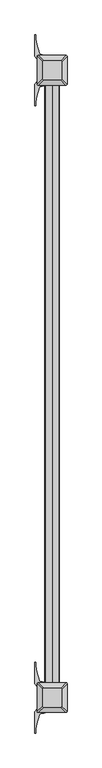
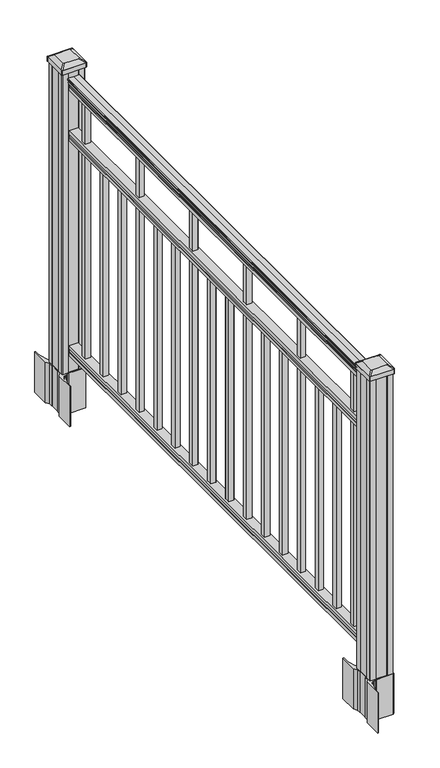
"""IFC4 building model written with IfcOpenShell, lengths in millimetres: railing geometry."""

from ifc_helpers import new_model, si_unit, point, frame, frame_2d, origin, origin_with_axes, place, context, project, spatial, polyline, circle_curve, trimmed, segment, composite_curve, outline, extrude, source, transform, mapped, element, save
from ifc_brep_helpers import plane_surface, extruded_surface, advanced_brep


def railing_8c281856(model_context):
    return source(origin(), model_context, "Body", "SolidModel", [
        extrude(outline(composite_curve([segment(polyline([(1090.8043297, 2185.0080205), (1092.692412, 2185.0080205)]), True, "CONTINUOUS"), segment(trimmed(circle_curve(frame_2d((1098.4506383, 2178.6932672)), 8.545951), [point((1092.692412, 2185.0080205))], [point((1094.2546695, 2186.1382068))], False, "CARTESIAN"), True, "CONTINUOUS"), segment(trimmed(circle_curve(frame_2d((1097.8636577, 2179.1303302)), 7.882584), [point((1094.2546695, 2186.1382068))], [point((1101.4726458, 2186.1382068))], False, "CARTESIAN"), True, "CONTINUOUS"), segment(trimmed(circle_curve(frame_2d((1103.7112527, 2189.6436543)), 4.1592695), [point((1101.4726458, 2186.1382068))], [point((1103.9060812, 2185.4889504))], True, "CARTESIAN"), True, "CONTINUOUS"), segment(trimmed(circle_curve(frame_2d((1103.6508864, 2190.9309609)), 5.4479907), [point((1103.9060812, 2185.4889504))], [point((1108.2362083, 2187.9889504))], True, "CARTESIAN"), True, "CONTINUOUS"), segment(trimmed(circle_curve(frame_2d((1108.233395, 2189.6978025)), 1.7088543), [point((1108.2362083, 2187.9889504))], [point((1109.9157972, 2189.3982929))], True, "CARTESIAN"), True, "CONTINUOUS"), segment(trimmed(circle_curve(frame_2d((1111.0205318, 2188.0809024)), 1.7192895), [point((1109.9157972, 2189.3982929))], [point((1111.0205318, 2189.8001919))], False, "CARTESIAN"), True, "CONTINUOUS"), segment(polyline([(1111.0205318, 2189.8001919), (1112.3608158, 2189.8001918)]), True, "CONTINUOUS"), segment(trimmed(circle_curve(frame_2d((1112.3608158, 2188.2467446)), 1.5534472), [point((1112.3608158, 2189.8001918))], [point((1113.914263, 2188.2467446))], False, "CARTESIAN"), True, "CONTINUOUS"), segment(polyline([(1113.914263, 2188.2467446), (1113.914263, 2167.5751918), (1113.914263, 2146.903639)]), True, "CONTINUOUS"), segment(trimmed(circle_curve(frame_2d((1112.3608158, 2146.903639)), 1.5534472), [point((1113.914263, 2146.903639))], [point((1112.3608158, 2145.3501918))], False, "CARTESIAN"), True, "CONTINUOUS"), segment(polyline([(1112.3608158, 2145.3501918), (1111.0205318, 2145.3501918)]), True, "CONTINUOUS"), segment(trimmed(circle_curve(frame_2d((1111.0205318, 2147.0694812)), 1.7192895), [point((1111.0205318, 2145.3501918))], [point((1109.9157972, 2145.7520907))], False, "CARTESIAN"), True, "CONTINUOUS"), segment(trimmed(circle_curve(frame_2d((1108.233395, 2145.4525811)), 1.7088543), [point((1109.9157972, 2145.7520907))], [point((1108.2362083, 2147.1614332))], True, "CARTESIAN"), True, "CONTINUOUS"), segment(trimmed(circle_curve(frame_2d((1103.6508864, 2144.2194227)), 5.4479907), [point((1108.2362083, 2147.1614332))], [point((1103.9060812, 2149.6614332))], True, "CARTESIAN"), True, "CONTINUOUS"), segment(trimmed(circle_curve(frame_2d((1103.7112527, 2145.5067292)), 4.1592695), [point((1103.9060812, 2149.6614332))], [point((1101.4726458, 2149.0121768))], True, "CARTESIAN"), True, "CONTINUOUS"), segment(trimmed(circle_curve(frame_2d((1097.8636577, 2156.0200534)), 7.882584), [point((1101.4726458, 2149.0121768))], [point((1094.2546695, 2149.0121768))], False, "CARTESIAN"), True, "CONTINUOUS"), segment(trimmed(circle_curve(frame_2d((1098.4506383, 2156.4571163)), 8.545951), [point((1094.2546695, 2149.0121768))], [point((1092.692412, 2150.1423631))], False, "CARTESIAN"), True, "CONTINUOUS"), segment(polyline([(1092.692412, 2150.1423631), (1090.8043297, 2150.1423631)]), True, "CONTINUOUS"), segment(trimmed(circle_curve(frame_2d((1090.8043297, 2151.4292774)), 1.2869144), [point((1090.8043297, 2150.1423631))], [point((1090.8043297, 2152.7161918))], False, "CARTESIAN"), True, "CONTINUOUS"), segment(polyline([(1090.8043297, 2152.7161918), (1080.3048283, 2152.7161918), (1079.2888283, 2151.7001918), (1066.8, 2151.7001918), (1066.8, 2183.4501918), (1079.131013, 2183.4501918), (1080.147013, 2182.4341918), (1090.8043297, 2182.4341918)]), True, "CONTINUOUS"), segment(trimmed(circle_curve(frame_2d((1090.8043297, 2183.7211062)), 1.2869144), [point((1090.8043297, 2182.4341918))], [point((1090.8043297, 2185.0080205))], False, "CARTESIAN"), True, "CONTINUOUS")], self_intersect=False)), frame((0.0, -114363.0908968, 0.0), z_axis=(0.0, 1.0, 0.0), x_axis=(0.0, 0.0, 1.0)), (0.0, 0.0, 1.0), 1828.8),
        extrude(outline(polyline([(888.8541976, 2183.4876787), (890.1546183, 2182.4716787), (900.5141717, 2182.4716787), (901.8624492, 2183.4876787), (914.3958781, 2183.4876787), (914.3958781, 2151.7376787), (901.8458024, 2151.7376787), (900.4975248, 2152.7536787), (890.1858283, 2152.7536787), (888.8375508, 2151.7376787), (876.3, 2151.7376787), (876.3, 2183.4876787), (888.8541976, 2183.4876787)])), frame((0.0, -114363.0908968, 0.0), z_axis=(0.0, 1.0, 0.0), x_axis=(0.0, 0.0, 1.0)), (0.0, 0.0, 1.0), 1828.8),
        extrude(outline(polyline([(76.0541976, 2183.4876787), (77.3546183, 2182.4716787), (87.7141717, 2182.4716787), (89.0624492, 2183.4876787), (101.5958781, 2183.4876787), (101.5958781, 2151.7376787), (89.0458024, 2151.7376787), (87.6975248, 2152.7536787), (77.3858283, 2152.7536787), (76.0375508, 2151.7376787), (63.5, 2151.7376787), (63.5, 2183.4876787), (76.0541976, 2183.4876787)])), frame((0.0, -114363.0908968, 0.0), z_axis=(0.0, 1.0, 0.0), x_axis=(0.0, 0.0, 1.0)), (0.0, 0.0, 1.0), 1828.8),
        extrude(outline(polyline([(2177.1001918, -112622.8098968), (2158.0501918, -112622.8098968), (2158.0501918, -112603.7598968), (2177.1001918, -112603.7598968), (2177.1001918, -112622.8098968)]), holes=[polyline([(2176.7033168, -112622.4130218), (2176.7033168, -112604.1567718), (2158.4470668, -112604.1567718), (2158.4470668, -112622.4130218), (2176.7033168, -112622.4130218)])]), frame((0.0, 0.0, 101.5958781), z_axis=(0.0, 0.0, 1.0), x_axis=(1.0, 0.0, 0.0)), (0.0, 0.0, 1.0), 965.2041219),
        extrude(outline(polyline([(2177.1001918, -112734.0618968), (2158.0501918, -112734.0618968), (2158.0501918, -112715.0118968), (2177.1001918, -112715.0118968), (2177.1001918, -112734.0618968)]), holes=[polyline([(2176.7033168, -112733.6650218), (2176.7033168, -112715.4087718), (2158.4470668, -112715.4087718), (2158.4470668, -112733.6650218), (2176.7033168, -112733.6650218)])]), frame((0.0, 0.0, 101.5958781), z_axis=(0.0, 0.0, 1.0), x_axis=(1.0, 0.0, 0.0)), (0.0, 0.0, 1.0), 774.7041219),
        extrude(outline(polyline([(2177.1001918, -112845.3138968), (2158.0501918, -112845.3138968), (2158.0501918, -112826.2638968), (2177.1001918, -112826.2638968), (2177.1001918, -112845.3138968)]), holes=[polyline([(2176.7033168, -112844.9170218), (2176.7033168, -112826.6607718), (2158.4470668, -112826.6607718), (2158.4470668, -112844.9170218), (2176.7033168, -112844.9170218)])]), frame((0.0, 0.0, 101.5958781), z_axis=(0.0, 0.0, 1.0), x_axis=(1.0, 0.0, 0.0)), (0.0, 0.0, 1.0), 774.7041219),
        extrude(outline(polyline([(2177.1001918, -112956.5658968), (2158.0501918, -112956.5658968), (2158.0501918, -112937.5158968), (2177.1001918, -112937.5158968), (2177.1001918, -112956.5658968)]), holes=[polyline([(2176.7033168, -112956.1690218), (2176.7033168, -112937.9127718), (2158.4470668, -112937.9127718), (2158.4470668, -112956.1690218), (2176.7033168, -112956.1690218)])]), frame((0.0, 0.0, 101.5958781), z_axis=(0.0, 0.0, 1.0), x_axis=(1.0, 0.0, 0.0)), (0.0, 0.0, 1.0), 965.2041219),
        extrude(outline(polyline([(2177.1001918, -113067.8178968), (2158.0501918, -113067.8178968), (2158.0501918, -113048.7678968), (2177.1001918, -113048.7678968), (2177.1001918, -113067.8178968)]), holes=[polyline([(2176.7033168, -113067.4210218), (2176.7033168, -113049.1647718), (2158.4470668, -113049.1647718), (2158.4470668, -113067.4210218), (2176.7033168, -113067.4210218)])]), frame((0.0, 0.0, 101.5958781), z_axis=(0.0, 0.0, 1.0), x_axis=(1.0, 0.0, 0.0)), (0.0, 0.0, 1.0), 774.7041219),
        extrude(outline(polyline([(2177.1001918, -113179.0698968), (2158.0501918, -113179.0698968), (2158.0501918, -113160.0198968), (2177.1001918, -113160.0198968), (2177.1001918, -113179.0698968)]), holes=[polyline([(2176.7033168, -113178.6730218), (2176.7033168, -113160.4167718), (2158.4470668, -113160.4167718), (2158.4470668, -113178.6730218), (2176.7033168, -113178.6730218)])]), frame((0.0, 0.0, 101.5958781), z_axis=(0.0, 0.0, 1.0), x_axis=(1.0, 0.0, 0.0)), (0.0, 0.0, 1.0), 774.7041219),
        extrude(outline(polyline([(2177.1001918, -113290.3218968), (2158.0501918, -113290.3218968), (2158.0501918, -113271.2718968), (2177.1001918, -113271.2718968), (2177.1001918, -113290.3218968)]), holes=[polyline([(2176.7033168, -113289.9250218), (2176.7033168, -113271.6687718), (2158.4470668, -113271.6687718), (2158.4470668, -113289.9250218), (2176.7033168, -113289.9250218)])]), frame((0.0, 0.0, 101.5958781), z_axis=(0.0, 0.0, 1.0), x_axis=(1.0, 0.0, 0.0)), (0.0, 0.0, 1.0), 965.2041219),
        extrude(outline(polyline([(2177.1001918, -113401.5738968), (2158.0501918, -113401.5738968), (2158.0501918, -113382.5238968), (2177.1001918, -113382.5238968), (2177.1001918, -113401.5738968)]), holes=[polyline([(2176.7033168, -113401.1770218), (2176.7033168, -113382.9207718), (2158.4470668, -113382.9207718), (2158.4470668, -113401.1770218), (2176.7033168, -113401.1770218)])]), frame((0.0, 0.0, 101.5958781), z_axis=(0.0, 0.0, 1.0), x_axis=(1.0, 0.0, 0.0)), (0.0, 0.0, 1.0), 774.7041219),
        extrude(outline(polyline([(2177.1001918, -113512.8258968), (2158.0501918, -113512.8258968), (2158.0501918, -113493.7758968), (2177.1001918, -113493.7758968), (2177.1001918, -113512.8258968)]), holes=[polyline([(2176.7033168, -113512.4290218), (2176.7033168, -113494.1727718), (2158.4470668, -113494.1727718), (2158.4470668, -113512.4290218), (2176.7033168, -113512.4290218)])]), frame((0.0, 0.0, 101.5958781), z_axis=(0.0, 0.0, 1.0), x_axis=(1.0, 0.0, 0.0)), (0.0, 0.0, 1.0), 774.7041219),
        extrude(outline(polyline([(2177.1001918, -113624.0778968), (2158.0501918, -113624.0778968), (2158.0501918, -113605.0278968), (2177.1001918, -113605.0278968), (2177.1001918, -113624.0778968)]), holes=[polyline([(2176.7033168, -113623.6810218), (2176.7033168, -113605.4247718), (2158.4470668, -113605.4247718), (2158.4470668, -113623.6810218), (2176.7033168, -113623.6810218)])]), frame((0.0, 0.0, 101.5958781), z_axis=(0.0, 0.0, 1.0), x_axis=(1.0, 0.0, 0.0)), (0.0, 0.0, 1.0), 965.2041219),
        extrude(outline(polyline([(2177.1001918, -113735.3298968), (2158.0501918, -113735.3298968), (2158.0501918, -113716.2798968), (2177.1001918, -113716.2798968), (2177.1001918, -113735.3298968)]), holes=[polyline([(2176.7033168, -113734.9330218), (2176.7033168, -113716.6767718), (2158.4470668, -113716.6767718), (2158.4470668, -113734.9330218), (2176.7033168, -113734.9330218)])]), frame((0.0, 0.0, 101.5958781), z_axis=(0.0, 0.0, 1.0), x_axis=(1.0, 0.0, 0.0)), (0.0, 0.0, 1.0), 774.7041219),
        extrude(outline(polyline([(2177.1001918, -113846.5818968), (2158.0501918, -113846.5818968), (2158.0501918, -113827.5318968), (2177.1001918, -113827.5318968), (2177.1001918, -113846.5818968)]), holes=[polyline([(2176.7033168, -113846.1850218), (2176.7033168, -113827.9287718), (2158.4470668, -113827.9287718), (2158.4470668, -113846.1850218), (2176.7033168, -113846.1850218)])]), frame((0.0, 0.0, 101.5958781), z_axis=(0.0, 0.0, 1.0), x_axis=(1.0, 0.0, 0.0)), (0.0, 0.0, 1.0), 774.7041219),
        extrude(outline(polyline([(2177.1001918, -113957.8338968), (2158.0501918, -113957.8338968), (2158.0501918, -113938.7838968), (2177.1001918, -113938.7838968), (2177.1001918, -113957.8338968)]), holes=[polyline([(2176.7033168, -113957.4370218), (2176.7033168, -113939.1807718), (2158.4470668, -113939.1807718), (2158.4470668, -113957.4370218), (2176.7033168, -113957.4370218)])]), frame((0.0, 0.0, 101.5958781), z_axis=(0.0, 0.0, 1.0), x_axis=(1.0, 0.0, 0.0)), (0.0, 0.0, 1.0), 965.2041219),
        extrude(outline(polyline([(2177.1001918, -114069.0858968), (2158.0501918, -114069.0858968), (2158.0501918, -114050.0358968), (2177.1001918, -114050.0358968), (2177.1001918, -114069.0858968)]), holes=[polyline([(2176.7033168, -114068.6890218), (2176.7033168, -114050.4327718), (2158.4470668, -114050.4327718), (2158.4470668, -114068.6890218), (2176.7033168, -114068.6890218)])]), frame((0.0, 0.0, 101.5958781), z_axis=(0.0, 0.0, 1.0), x_axis=(1.0, 0.0, 0.0)), (0.0, 0.0, 1.0), 774.7041219),
        extrude(outline(polyline([(2177.1001918, -114180.3378968), (2158.0501918, -114180.3378968), (2158.0501918, -114161.2878968), (2177.1001918, -114161.2878968), (2177.1001918, -114180.3378968)]), holes=[polyline([(2176.7033168, -114179.9410218), (2176.7033168, -114161.6847718), (2158.4470668, -114161.6847718), (2158.4470668, -114179.9410218), (2176.7033168, -114179.9410218)])]), frame((0.0, 0.0, 101.5958781), z_axis=(0.0, 0.0, 1.0), x_axis=(1.0, 0.0, 0.0)), (0.0, 0.0, 1.0), 774.7041219),
        extrude(outline(polyline([(2177.1001918, -114291.5898968), (2158.0501918, -114291.5898968), (2158.0501918, -114272.5398968), (2177.1001918, -114272.5398968), (2177.1001918, -114291.5898968)]), holes=[polyline([(2176.7033168, -114291.1930218), (2176.7033168, -114272.9367718), (2158.4470668, -114272.9367718), (2158.4470668, -114291.1930218), (2176.7033168, -114291.1930218)])]), frame((0.0, 0.0, 101.5958781), z_axis=(0.0, 0.0, 1.0), x_axis=(1.0, 0.0, 0.0)), (0.0, 0.0, 1.0), 965.2041219),
        extrude(outline(composite_curve([segment(polyline([(2210.3106918, -112510.2749917), (2211.8981918, -112511.0369917), (2211.8981918, -112533.8389198), (2208.5252147, -112537.2118968), (2147.0655439, -112537.2118968), (2147.0655439, -112538.1326468), (2141.7480001, -112538.1326468), (2141.7480001, -112539.5869015), (2136.6634704, -112539.5869015), (2136.6634704, -112540.8709253), (2134.9961981, -112540.8709253)]), True, "CONTINUOUS"), segment(trimmed(circle_curve(frame_2d((2134.9961981, -112547.9303852)), 7.0594599), [point((2134.9961981, -112540.8709253))], [point((2128.2289352, -112545.9203785))], True, "CARTESIAN"), True, "CONTINUOUS"), segment(polyline([(2128.2289352, -112545.9203785), (2120.354741, -112572.4311076)]), True, "CONTINUOUS"), segment(trimmed(circle_curve(frame_2d((2175.1392543, -112588.7031573)), 57.15), [point((2120.354741, -112572.4311076))], [point((2117.9892543, -112588.7031573))], True, "CARTESIAN"), True, "CONTINUOUS"), segment(polyline([(2117.9892543, -112588.7031573), (2117.9892543, -112600.7118968), (2114.9892543, -112600.7118968), (2114.9892543, -112535.6243968), (2123.2521918, -112524.2861055), (2123.2521918, -112511.0369917), (2124.8396918, -112510.2749917), (2124.8396918, -112475.502802), (2123.2521918, -112474.740802), (2123.2521918, -112461.4916882), (2114.9892543, -112450.1533968), (2114.9892543, -112385.0658968), (2117.9892543, -112385.0658968), (2117.9892543, -112397.0746364)]), True, "CONTINUOUS"), segment(trimmed(circle_curve(frame_2d((2175.1392543, -112397.0746364)), 57.15), [point((2117.9892543, -112397.0746364))], [point((2120.354741, -112413.346686))], True, "CARTESIAN"), True, "CONTINUOUS"), segment(polyline([(2120.354741, -112413.346686), (2128.2289352, -112439.8574151)]), True, "CONTINUOUS"), segment(trimmed(circle_curve(frame_2d((2134.9961981, -112437.8474085)), 7.0594599), [point((2128.2289352, -112439.8574151))], [point((2134.9961981, -112444.9068683))], True, "CARTESIAN"), True, "CONTINUOUS"), segment(polyline([(2134.9961981, -112444.9068683), (2136.6634704, -112444.9068683), (2136.6634704, -112446.1908921), (2141.7480001, -112446.1908921), (2141.7480001, -112447.6451468), (2147.0655439, -112447.6451468), (2147.0655439, -112448.5658968), (2208.5252147, -112448.5658968), (2211.8981918, -112451.9388739), (2211.8981918, -112474.740802), (2210.3106918, -112475.502802), (2210.3106918, -112510.2749917)]), True, "CONTINUOUS")], self_intersect=False), holes=[polyline([(2126.3001918, -112453.2013968), (2126.3001918, -112532.5763968), (2127.8876918, -112534.1638968), (2164.8119744, -112534.1638968), (2207.2626918, -112534.1638968), (2208.8501918, -112532.5763968), (2208.8501918, -112453.2013968), (2207.2626918, -112451.6138968), (2164.8119744, -112451.6138968), (2127.8876918, -112451.6138968), (2126.3001918, -112453.2013968)])]), frame((0.0, 0.0, -152.4), z_axis=(0.0, 0.0, 1.0), x_axis=(1.0, 0.0, 0.0)), (0.0, 0.0, 1.0), 152.4),
        advanced_brep(
        [(2141.7783168, -112521.8607718, 1165.225), (2193.3720668, -112521.8607718, 1165.225), (2196.5470668, -112518.6857718, 1165.225), (2196.5470668, -112467.0920218, 1165.225), (2193.3720668, -112463.9170218, 1165.225), (2141.7783168, -112463.9170218, 1165.225), (2138.6033168, -112467.0920218, 1165.225), (2138.6033168, -112518.6857718, 1165.225), (2125.5064418, -112538.1326468, 1153.922), (2122.3314418, -112534.9576468, 1153.922), (2122.3314418, -112450.8201468, 1153.922), (2125.5064418, -112447.6451468, 1153.922), (2209.6439418, -112447.6451468, 1153.922), (2212.8189418, -112450.8201468, 1153.922), (2212.8189418, -112534.9576468, 1153.922), (2209.6439418, -112538.1326468, 1153.922)],
        [
            (0, 1),
            (1, 2, circle_curve(frame((2193.3720668, -112518.6857718, 1165.225), z_axis=(0.0, 0.0, 1.0), x_axis=(0.0, 1.0, 0.0)), 3.175)),
            (2, 3),
            (3, 4, circle_curve(frame((2193.3720668, -112467.0920218, 1165.225), z_axis=(0.0, 0.0, 1.0), x_axis=(0.0, 1.0, 0.0)), 3.175)),
            (4, 5),
            (5, 6, circle_curve(frame((2141.7783168, -112467.0920218, 1165.225), z_axis=(0.0, 0.0, 1.0), x_axis=(0.0, 1.0, 0.0)), 3.175)),
            (6, 7),
            (7, 0, circle_curve(frame((2141.7783168, -112518.6857718, 1165.225), z_axis=(0.0, 0.0, 1.0), x_axis=(0.0, 1.0, 0.0)), 3.175)),
            (8, 9, circle_curve(frame((2125.5064418, -112534.9576468, 1153.922), z_axis=(0.0, 0.0, -1.0), x_axis=(0.0, 1.0, 0.0)), 3.175)),
            (9, 10),
            (10, 11, circle_curve(frame((2125.5064418, -112450.8201468, 1153.922), z_axis=(0.0, 0.0, -1.0), x_axis=(0.0, 1.0, 0.0)), 3.175)),
            (11, 12),
            (12, 13, circle_curve(frame((2209.6439418, -112450.8201468, 1153.922), z_axis=(0.0, 0.0, -1.0), x_axis=(0.0, 1.0, 0.0)), 3.175)),
            (13, 14),
            (14, 15, circle_curve(frame((2209.6439418, -112534.9576468, 1153.922), z_axis=(0.0, 0.0, -1.0), x_axis=(0.0, 1.0, 0.0)), 3.175)),
            (15, 8),
            (8, 0),
            (7, 9),
            (6, 10),
            (5, 11),
            (4, 12),
            (3, 13),
            (2, 14),
            (1, 15),
        ],
        [
            plane_surface(frame((2167.5751918, -112492.8888968, 1165.225), z_axis=(0.0, 0.0, 1.0), x_axis=(-1.0, 0.0, 0.0))),
            plane_surface(frame((2167.5751918, -112492.8888968, 1153.922), z_axis=(0.0, 0.0, -1.0), x_axis=(-1.0, 0.0, 0.0))),
            extruded_surface(trimmed(circle_curve(frame((2141.7783168, -112518.6857718, 1165.225), z_axis=(0.0, 0.0, -1.0), x_axis=(0.0, 1.0, 0.0)), 3.175), [point((2141.7783168, -112521.8607718, 1165.225))], [point((2138.6033168, -112518.6857718, 1165.225))], True, "CARTESIAN"), (-16.27187499999991, -16.27187500000582, -11.302999999999884), 25.637972638869748),
            plane_surface(frame((2122.3314418, -112492.8888968, 1153.922), z_axis=(-0.5705009161540777, 0.0, 0.8212969649690409), x_axis=(0.0, 1.0, 0.0))),
            extruded_surface(trimmed(circle_curve(frame((2141.7783168, -112467.0920218, 1165.225), z_axis=(0.0, 0.0, -1.0), x_axis=(0.0, 1.0, 0.0)), 3.175), [point((2138.6033168, -112467.0920218, 1165.225))], [point((2141.7783168, -112463.9170218, 1165.225))], True, "CARTESIAN"), (-16.27187499999991, 16.27187499999127, -11.302999999999884), 25.63797263886051),
            plane_surface(frame((2167.5751918, -112447.6451468, 1153.922), z_axis=(0.0, 0.5705009161540291, 0.8212969649690747), x_axis=(1.0, 0.0, 0.0))),
            extruded_surface(trimmed(circle_curve(frame((2193.3720668, -112467.0920218, 1165.225), z_axis=(0.0, 0.0, -1.0), x_axis=(0.0, 1.0, 0.0)), 3.175), [point((2193.3720668, -112463.9170218, 1165.225))], [point((2196.5470668, -112467.0920218, 1165.225))], True, "CARTESIAN"), (16.27187499999991, 16.27187499999127, -11.302999999999884), 25.63797263886051),
            plane_surface(frame((2212.8189418, -112492.8888968, 1153.922), z_axis=(0.5705009161540143, 0.0, 0.821296964969085), x_axis=(0.0, -1.0, 0.0))),
            extruded_surface(trimmed(circle_curve(frame((2193.3720668, -112518.6857718, 1165.225), z_axis=(0.0, 0.0, -1.0), x_axis=(0.0, 1.0, 0.0)), 3.175), [point((2196.5470668, -112518.6857718, 1165.225))], [point((2193.3720668, -112521.8607718, 1165.225))], True, "CARTESIAN"), (16.27187499999991, -16.27187500000582, -11.302999999999884), 25.637972638869748),
            plane_surface(frame((2167.5751918, -112538.1326468, 1153.922), z_axis=(0.0, -0.570500916154034, 0.8212969649690713), x_axis=(-1.0, 0.0, 0.0))),
        ],
        [
            (0, [[1, 2, 3, 4, 5, 6, 7, 8]]),
            (1, [[9, 10, 11, 12, 13, 14, 15, 16]]),
            (2, [[17, -8, 18, -9]]),
            (3, [[-18, -7, 19, -10]]),
            (4, [[-19, -6, 20, -11]]),
            (5, [[-20, -5, 21, -12]]),
            (6, [[-21, -4, 22, -13]]),
            (7, [[-22, -3, 23, -14]]),
            (8, [[-23, -2, 24, -15]]),
            (9, [[-24, -1, -17, -16]]),
        ],
    ),
        extrude(outline(composite_curve([segment(trimmed(circle_curve(frame_2d((2125.5064418, -112534.9576468)), 3.175), [point((2125.5064418, -112538.1326468))], [point((2122.3314418, -112534.9576468))], False, "CARTESIAN"), True, "CONTINUOUS"), segment(polyline([(2122.3314418, -112534.9576468), (2122.3314418, -112450.8201468)]), True, "CONTINUOUS"), segment(trimmed(circle_curve(frame_2d((2125.5064418, -112450.8201468)), 3.175), [point((2122.3314418, -112450.8201468))], [point((2125.5064418, -112447.6451468))], False, "CARTESIAN"), True, "CONTINUOUS"), segment(polyline([(2125.5064418, -112447.6451468), (2209.6439418, -112447.6451468)]), True, "CONTINUOUS"), segment(trimmed(circle_curve(frame_2d((2209.6439418, -112450.8201468)), 3.175), [point((2209.6439418, -112447.6451468))], [point((2212.8189418, -112450.8201468))], False, "CARTESIAN"), True, "CONTINUOUS"), segment(polyline([(2212.8189418, -112450.8201468), (2212.8189418, -112534.9576468)]), True, "CONTINUOUS"), segment(trimmed(circle_curve(frame_2d((2209.6439418, -112534.9576468)), 3.175), [point((2212.8189418, -112534.9576468))], [point((2209.6439418, -112538.1326468))], False, "CARTESIAN"), True, "CONTINUOUS"), segment(polyline([(2209.6439418, -112538.1326468), (2125.5064418, -112538.1326468)]), True, "CONTINUOUS")], self_intersect=False)), frame((0.0, 0.0, 1136.65), z_axis=(0.0, 0.0, 1.0), x_axis=(1.0, 0.0, 0.0)), (0.0, 0.0, 1.0), 17.272),
        extrude(outline(polyline([(2127.8876918, -112534.1638968), (2126.3001918, -112532.5763968), (2126.3001918, -112512.9548968), (2127.8876918, -112512.1928968), (2127.8876918, -112473.5848968), (2126.3001918, -112472.8228968), (2126.3001918, -112453.2013968), (2127.8876918, -112451.6138968), (2147.5091918, -112451.6138968), (2148.2711918, -112453.2013968), (2186.8791918, -112453.2013968), (2187.6411918, -112451.6138968), (2207.2626918, -112451.6138968), (2208.8501918, -112453.2013968), (2208.8501918, -112472.8228968), (2207.2626918, -112473.5848968), (2207.2626918, -112512.1928968), (2208.8501918, -112512.9548968), (2208.8501918, -112532.5763968), (2207.2626918, -112534.1638968), (2187.6411918, -112534.1638968), (2186.8791918, -112532.5763968), (2148.2711918, -112532.5763968), (2147.5091918, -112534.1638968), (2127.8876918, -112534.1638968)])), origin_with_axes(), (0.0, 0.0, 1.0), 1136.65),
        extrude(outline(composite_curve([segment(polyline([(2210.3106918, -114421.8789917), (2211.8981918, -114422.6409917), (2211.8981918, -114445.4429198), (2208.5252147, -114448.8158968), (2147.0655439, -114448.8158968), (2147.0655439, -114449.7366468), (2141.7480001, -114449.7366468), (2141.7480001, -114451.1909015), (2136.6634704, -114451.1909015), (2136.6634704, -114452.4749253), (2134.9961981, -114452.4749253)]), True, "CONTINUOUS"), segment(trimmed(circle_curve(frame_2d((2134.9961981, -114459.5343852)), 7.0594599), [point((2134.9961981, -114452.4749253))], [point((2128.2289352, -114457.5243785))], True, "CARTESIAN"), True, "CONTINUOUS"), segment(polyline([(2128.2289352, -114457.5243785), (2120.354741, -114484.0351076)]), True, "CONTINUOUS"), segment(trimmed(circle_curve(frame_2d((2175.1392543, -114500.3071573)), 57.15), [point((2120.354741, -114484.0351076))], [point((2117.9892543, -114500.3071573))], True, "CARTESIAN"), True, "CONTINUOUS"), segment(polyline([(2117.9892543, -114500.3071573), (2117.9892543, -114512.3158968), (2114.9892543, -114512.3158968), (2114.9892543, -114447.2283968), (2123.2521918, -114435.8901055), (2123.2521918, -114422.6409917), (2124.8396918, -114421.8789917), (2124.8396918, -114387.106802), (2123.2521918, -114386.344802), (2123.2521918, -114373.0956882), (2114.9892543, -114361.7573968), (2114.9892543, -114296.6698968), (2117.9892543, -114296.6698968), (2117.9892543, -114308.6786364)]), True, "CONTINUOUS"), segment(trimmed(circle_curve(frame_2d((2175.1392543, -114308.6786364)), 57.15), [point((2117.9892543, -114308.6786364))], [point((2120.354741, -114324.950686))], True, "CARTESIAN"), True, "CONTINUOUS"), segment(polyline([(2120.354741, -114324.950686), (2128.2289352, -114351.4614151)]), True, "CONTINUOUS"), segment(trimmed(circle_curve(frame_2d((2134.9961981, -114349.4514085)), 7.0594599), [point((2128.2289352, -114351.4614151))], [point((2134.9961981, -114356.5108683))], True, "CARTESIAN"), True, "CONTINUOUS"), segment(polyline([(2134.9961981, -114356.5108683), (2136.6634704, -114356.5108683), (2136.6634704, -114357.7948921), (2141.7480001, -114357.7948921), (2141.7480001, -114359.2491468), (2147.0655439, -114359.2491468), (2147.0655439, -114360.1698968), (2208.5252147, -114360.1698968), (2211.8981918, -114363.5428739), (2211.8981918, -114386.344802), (2210.3106918, -114387.106802), (2210.3106918, -114421.8789917)]), True, "CONTINUOUS")], self_intersect=False), holes=[polyline([(2126.3001918, -114364.8053968), (2126.3001918, -114444.1803968), (2127.8876918, -114445.7678968), (2164.8119744, -114445.7678968), (2207.2626918, -114445.7678968), (2208.8501918, -114444.1803968), (2208.8501918, -114364.8053968), (2207.2626918, -114363.2178968), (2164.8119744, -114363.2178968), (2127.8876918, -114363.2178968), (2126.3001918, -114364.8053968)])]), frame((0.0, 0.0, -152.4), z_axis=(0.0, 0.0, 1.0), x_axis=(1.0, 0.0, 0.0)), (0.0, 0.0, 1.0), 152.4),
        advanced_brep(
        [(2141.7783168, -114433.4647718, 1165.225), (2193.3720668, -114433.4647718, 1165.225), (2196.5470668, -114430.2897718, 1165.225), (2196.5470668, -114378.6960218, 1165.225), (2193.3720668, -114375.5210218, 1165.225), (2141.7783168, -114375.5210218, 1165.225), (2138.6033168, -114378.6960218, 1165.225), (2138.6033168, -114430.2897718, 1165.225), (2125.5064418, -114449.7366468, 1153.922), (2122.3314418, -114446.5616468, 1153.922), (2122.3314418, -114362.4241468, 1153.922), (2125.5064418, -114359.2491468, 1153.922), (2209.6439418, -114359.2491468, 1153.922), (2212.8189418, -114362.4241468, 1153.922), (2212.8189418, -114446.5616468, 1153.922), (2209.6439418, -114449.7366468, 1153.922)],
        [
            (0, 1),
            (1, 2, circle_curve(frame((2193.3720668, -114430.2897718, 1165.225), z_axis=(0.0, 0.0, 1.0), x_axis=(0.0, 1.0, 0.0)), 3.175)),
            (2, 3),
            (3, 4, circle_curve(frame((2193.3720668, -114378.6960218, 1165.225), z_axis=(0.0, 0.0, 1.0), x_axis=(0.0, 1.0, 0.0)), 3.175)),
            (4, 5),
            (5, 6, circle_curve(frame((2141.7783168, -114378.6960218, 1165.225), z_axis=(0.0, 0.0, 1.0), x_axis=(0.0, 1.0, 0.0)), 3.175)),
            (6, 7),
            (7, 0, circle_curve(frame((2141.7783168, -114430.2897718, 1165.225), z_axis=(0.0, 0.0, 1.0), x_axis=(0.0, 1.0, 0.0)), 3.175)),
            (8, 9, circle_curve(frame((2125.5064418, -114446.5616468, 1153.922), z_axis=(0.0, 0.0, -1.0), x_axis=(0.0, 1.0, 0.0)), 3.175)),
            (9, 10),
            (10, 11, circle_curve(frame((2125.5064418, -114362.4241468, 1153.922), z_axis=(0.0, 0.0, -1.0), x_axis=(0.0, 1.0, 0.0)), 3.175)),
            (11, 12),
            (12, 13, circle_curve(frame((2209.6439418, -114362.4241468, 1153.922), z_axis=(0.0, 0.0, -1.0), x_axis=(0.0, 1.0, 0.0)), 3.175)),
            (13, 14),
            (14, 15, circle_curve(frame((2209.6439418, -114446.5616468, 1153.922), z_axis=(0.0, 0.0, -1.0), x_axis=(0.0, 1.0, 0.0)), 3.175)),
            (15, 8),
            (8, 0),
            (7, 9),
            (6, 10),
            (5, 11),
            (4, 12),
            (3, 13),
            (2, 14),
            (1, 15),
        ],
        [
            plane_surface(frame((2167.5751918, -114404.4928968, 1165.225), z_axis=(0.0, 0.0, 1.0), x_axis=(-1.0, 0.0, 0.0))),
            plane_surface(frame((2167.5751918, -114404.4928968, 1153.922), z_axis=(0.0, 0.0, -1.0), x_axis=(-1.0, 0.0, 0.0))),
            extruded_surface(trimmed(circle_curve(frame((2141.7783168, -114430.2897718, 1165.225), z_axis=(0.0, 0.0, -1.0), x_axis=(0.0, 1.0, 0.0)), 3.175), [point((2141.7783168, -114433.4647718, 1165.225))], [point((2138.6033168, -114430.2897718, 1165.225))], True, "CARTESIAN"), (-16.27187499999991, -16.27187499999127, -11.302999999999884), 25.63797263886051),
            plane_surface(frame((2122.3314418, -114404.4928968, 1153.922), z_axis=(-0.5705009161540777, 0.0, 0.8212969649690409), x_axis=(0.0, 1.0, 0.0))),
            extruded_surface(trimmed(circle_curve(frame((2141.7783168, -114378.6960218, 1165.225), z_axis=(0.0, 0.0, -1.0), x_axis=(0.0, 1.0, 0.0)), 3.175), [point((2138.6033168, -114378.6960218, 1165.225))], [point((2141.7783168, -114375.5210218, 1165.225))], True, "CARTESIAN"), (-16.27187499999991, 16.27187500000582, -11.302999999999884), 25.637972638869748),
            plane_surface(frame((2167.5751918, -114359.2491468, 1153.922), z_axis=(0.0, 0.5705009161540291, 0.8212969649690747), x_axis=(1.0, 0.0, 0.0))),
            extruded_surface(trimmed(circle_curve(frame((2193.3720668, -114378.6960218, 1165.225), z_axis=(0.0, 0.0, -1.0), x_axis=(0.0, 1.0, 0.0)), 3.175), [point((2193.3720668, -114375.5210218, 1165.225))], [point((2196.5470668, -114378.6960218, 1165.225))], True, "CARTESIAN"), (16.27187499999991, 16.27187500000582, -11.302999999999884), 25.637972638869748),
            plane_surface(frame((2212.8189418, -114404.4928968, 1153.922), z_axis=(0.5705009161540143, 0.0, 0.821296964969085), x_axis=(0.0, -1.0, 0.0))),
            extruded_surface(trimmed(circle_curve(frame((2193.3720668, -114430.2897718, 1165.225), z_axis=(0.0, 0.0, -1.0), x_axis=(0.0, 1.0, 0.0)), 3.175), [point((2196.5470668, -114430.2897718, 1165.225))], [point((2193.3720668, -114433.4647718, 1165.225))], True, "CARTESIAN"), (16.27187499999991, -16.27187499999127, -11.302999999999884), 25.63797263886051),
            plane_surface(frame((2167.5751918, -114449.7366468, 1153.922), z_axis=(0.0, -0.570500916154034, 0.8212969649690713), x_axis=(-1.0, 0.0, 0.0))),
        ],
        [
            (0, [[1, 2, 3, 4, 5, 6, 7, 8]]),
            (1, [[9, 10, 11, 12, 13, 14, 15, 16]]),
            (2, [[17, -8, 18, -9]]),
            (3, [[-18, -7, 19, -10]]),
            (4, [[-19, -6, 20, -11]]),
            (5, [[-20, -5, 21, -12]]),
            (6, [[-21, -4, 22, -13]]),
            (7, [[-22, -3, 23, -14]]),
            (8, [[-23, -2, 24, -15]]),
            (9, [[-24, -1, -17, -16]]),
        ],
    ),
        extrude(outline(composite_curve([segment(trimmed(circle_curve(frame_2d((2125.5064418, -114446.5616468)), 3.175), [point((2125.5064418, -114449.7366468))], [point((2122.3314418, -114446.5616468))], False, "CARTESIAN"), True, "CONTINUOUS"), segment(polyline([(2122.3314418, -114446.5616468), (2122.3314418, -114362.4241468)]), True, "CONTINUOUS"), segment(trimmed(circle_curve(frame_2d((2125.5064418, -114362.4241468)), 3.175), [point((2122.3314418, -114362.4241468))], [point((2125.5064418, -114359.2491468))], False, "CARTESIAN"), True, "CONTINUOUS"), segment(polyline([(2125.5064418, -114359.2491468), (2209.6439418, -114359.2491468)]), True, "CONTINUOUS"), segment(trimmed(circle_curve(frame_2d((2209.6439418, -114362.4241468)), 3.175), [point((2209.6439418, -114359.2491468))], [point((2212.8189418, -114362.4241468))], False, "CARTESIAN"), True, "CONTINUOUS"), segment(polyline([(2212.8189418, -114362.4241468), (2212.8189418, -114446.5616468)]), True, "CONTINUOUS"), segment(trimmed(circle_curve(frame_2d((2209.6439418, -114446.5616468)), 3.175), [point((2212.8189418, -114446.5616468))], [point((2209.6439418, -114449.7366468))], False, "CARTESIAN"), True, "CONTINUOUS"), segment(polyline([(2209.6439418, -114449.7366468), (2125.5064418, -114449.7366468)]), True, "CONTINUOUS")], self_intersect=False)), frame((0.0, 0.0, 1136.65), z_axis=(0.0, 0.0, 1.0), x_axis=(1.0, 0.0, 0.0)), (0.0, 0.0, 1.0), 17.272),
        extrude(outline(polyline([(2127.8876918, -114445.7678968), (2126.3001918, -114444.1803968), (2126.3001918, -114424.5588968), (2127.8876918, -114423.7968968), (2127.8876918, -114385.1888968), (2126.3001918, -114384.4268968), (2126.3001918, -114364.8053968), (2127.8876918, -114363.2178968), (2147.5091918, -114363.2178968), (2148.2711918, -114364.8053968), (2186.8791918, -114364.8053968), (2187.6411918, -114363.2178968), (2207.2626918, -114363.2178968), (2208.8501918, -114364.8053968), (2208.8501918, -114384.4268968), (2207.2626918, -114385.1888968), (2207.2626918, -114423.7968968), (2208.8501918, -114424.5588968), (2208.8501918, -114444.1803968), (2207.2626918, -114445.7678968), (2187.6411918, -114445.7678968), (2186.8791918, -114444.1803968), (2148.2711918, -114444.1803968), (2147.5091918, -114445.7678968), (2127.8876918, -114445.7678968)])), origin_with_axes(), (0.0, 0.0, 1.0), 1136.65),
    ])


if __name__ == "__main__":
    model = new_model("IFC4")
    model_context = context("Model", 3, world=origin())
    ifc_project = project(units=[si_unit("LENGTHUNIT", "METRE", prefix="MILLI")], contexts=[model_context])
    site = spatial("IfcSite", under=ifc_project)
    building = spatial("IfcBuilding", under=site)
    placement = place(None, origin())
    railing_shape = railing_8c281856(model_context)
    element("IfcRailing", 1, at=placement, inside=building, context=model_context, shape_type="MappedRepresentation", body=[
        mapped(railing_shape, transform((0.0, 0.0, 0.0), x_axis=(1.0, 0.0, 0.0), y_axis=(0.0, 1.0, 0.0), z_axis=(0.0, 0.0, 1.0))),
    ])
    save(model, "model.ifc")
